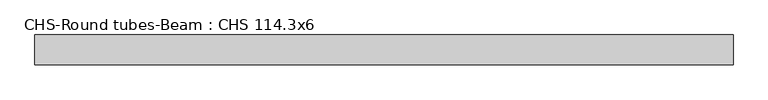
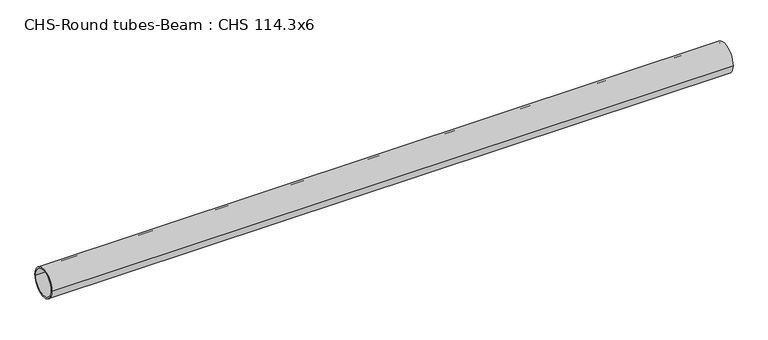
"""IFC4 building model written with IfcOpenShell, lengths in millimetres: beam geometry, CHS-Round tubes-Beam : CHS 114.3x6."""

from ifc_helpers import new_model, si_unit, point, frame, origin, origin_2d, place, context, project, spatial, circle_curve, trimmed, segment, composite_curve, outline, extrude, source, transform, mapped, element, save


def chs_round_tubes_beam_chs_114_3x6_a3239efc(model_context):
    return source(origin(), model_context, "Body", "SweptSolid", [
        extrude(outline(composite_curve([segment(trimmed(circle_curve(origin_2d(), 57.15), [point((57.15, 0.0))], [point((-57.15, 0.0))], False, "CARTESIAN"), True, "CONTINUOUS"), segment(trimmed(circle_curve(origin_2d(), 57.15), [point((-57.15, 0.0))], [point((57.15, 0.0))], False, "CARTESIAN"), True, "CONTINUOUS")], self_intersect=False), holes=[composite_curve([segment(trimmed(circle_curve(origin_2d(), 51.15), [point((51.15, 0.0))], [point((-51.15, 0.0))], True, "CARTESIAN"), True, "CONTINUOUS"), segment(trimmed(circle_curve(origin_2d(), 51.15), [point((-51.15, 0.0))], [point((51.15, 0.0))], True, "CARTESIAN"), True, "CONTINUOUS")], self_intersect=False)]), frame((-1291.1811286, 0.0, 0.0), z_axis=(1.0, 0.0, 0.0), x_axis=(0.0, 1.0, 0.0)), (0.0, 0.0, 1.0), 2660.1984376),
    ])


if __name__ == "__main__":
    model = new_model("IFC4")
    model_context = context("Model", 3, world=origin())
    ifc_project = project(units=[si_unit("LENGTHUNIT", "METRE", prefix="MILLI")], contexts=[model_context])
    site = spatial("IfcSite", under=ifc_project)
    building = spatial("IfcBuilding", under=site)
    placement = place(None, origin())
    chs_round_tubes_beam_chs_114_3x6_shape = chs_round_tubes_beam_chs_114_3x6_a3239efc(model_context)
    element("IfcBeam", 1, ObjectType="CHS-Round tubes-Beam : CHS 114.3x6", at=placement, inside=building, context=model_context, shape_type="MappedRepresentation", body=[
        mapped(chs_round_tubes_beam_chs_114_3x6_shape, transform((0.0, 0.0, 0.0), x_axis=(1.0, 0.0, 0.0), y_axis=(0.0, 1.0, 0.0), z_axis=(0.0, 0.0, 1.0))),
    ])
    save(model, "model.ifc")
